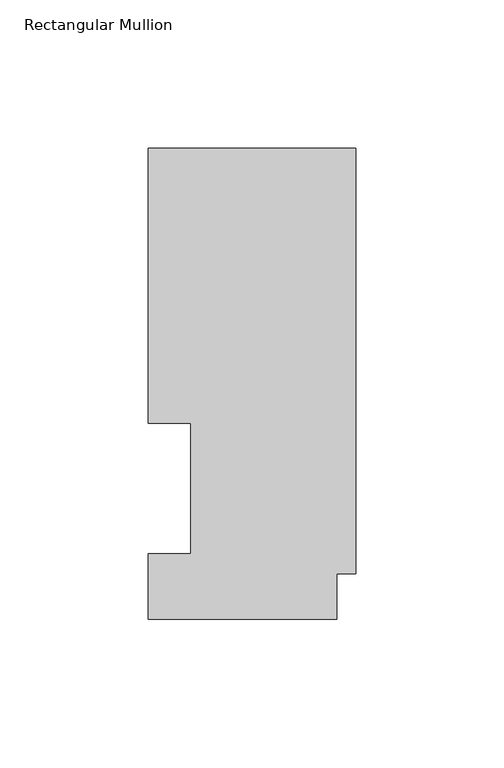
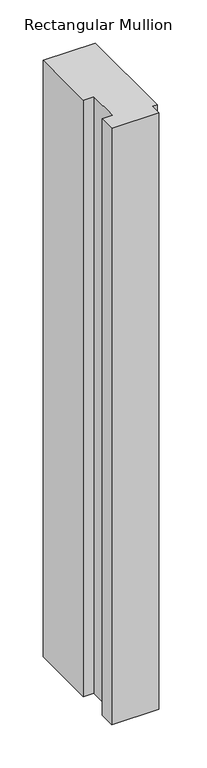
"""IFC4 building model written with IfcOpenShell, lengths in millimetres: member geometry, Rectangular Mullion."""

from ifc_helpers import new_model, si_unit, frame, origin, place, context, project, spatial, polyline, outline, extrude, source, transform, mapped, element, save


def rectangular_mullion_a00ff874(model_context):
    return source(origin(), model_context, "Body", "SweptSolid", [
        extrude(outline(polyline([(0.0, 158.7388875), (0.0, 15.3812875), (-6.35, 15.3812875), (-6.35, -0.0080424), (-69.85, -0.0080424), (-69.85, 22.1122875), (-55.5625, 22.1122875), (-55.5625, 66.0796875), (-69.85, 66.0796875), (-69.85, 158.7388875), (0.0, 158.7388875)])), frame((0.0, 0.0, -844.55), z_axis=(0.0, 0.0, 1.0), x_axis=(1.0, 0.0, 0.0)), (0.0, 0.0, 1.0), 844.55),
    ])


if __name__ == "__main__":
    model = new_model("IFC4")
    model_context = context("Model", 3, world=origin())
    ifc_project = project(units=[si_unit("LENGTHUNIT", "METRE", prefix="MILLI")], contexts=[model_context])
    site = spatial("IfcSite", under=ifc_project)
    building = spatial("IfcBuilding", under=site)
    placement = place(None, origin())
    rectangular_mullion_shape = rectangular_mullion_a00ff874(model_context)
    element("IfcMember", 1, ObjectType="Rectangular Mullion", at=placement, inside=building, context=model_context, shape_type="MappedRepresentation", body=[
        mapped(rectangular_mullion_shape, transform((0.0, 0.0, 0.0), x_axis=(1.0, 0.0, 0.0), y_axis=(0.0, 1.0, 0.0), z_axis=(0.0, 0.0, 1.0))),
    ])
    save(model, "model.ifc")
